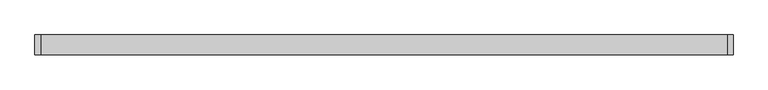
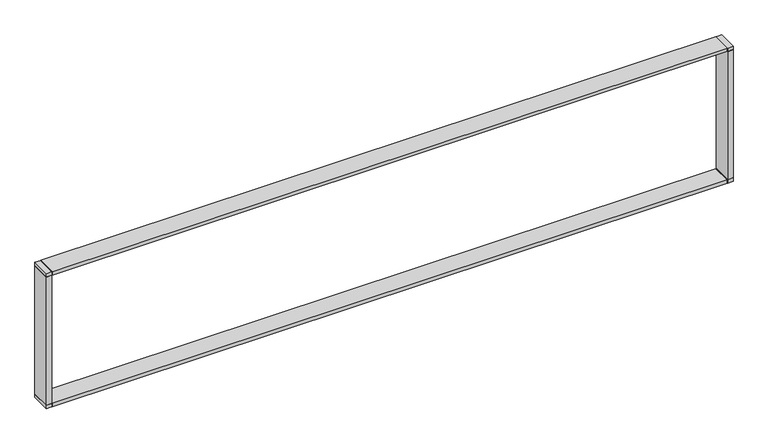
"""IFC4 building model written with IfcOpenShell, lengths in millimetres: furniture geometry."""

from ifc_helpers import new_model, si_unit, frame, origin, place, context, project, spatial, polyline, outline, extrude, source, transform, mapped, element, save


def furniture_4d252f9c(model_context):
    return source(origin(), model_context, "Body", "SweptSolid", [
        extrude(outline(polyline([(23.368, -78.4860189), (22.352, -78.4860189), (22.352, 0.0), (23.368, 0.0), (23.368, -78.4860189)])), frame((0.0, 0.0, 1093.4736657), z_axis=(0.0, 0.0, 1.0), x_axis=(1.0, 0.0, 0.0)), (0.0, 0.0, 1.0), 13.2043343),
        extrude(outline(polyline([(2743.2, -78.4860189), (2742.184, -78.4860189), (2742.184, 0.0), (2743.2, 0.0), (2743.2, -78.4860189)])), frame((0.0, 0.0, 1093.4736657), z_axis=(0.0, 0.0, 1.0), x_axis=(1.0, 0.0, 0.0)), (0.0, 0.0, 1.0), 13.2043343),
        extrude(outline(polyline([(23.368, -78.4860189), (22.352, -78.4860189), (22.352, 0.0), (23.368, 0.0), (23.368, -78.4860189)])), frame((0.0, 0.0, 1653.54), z_axis=(0.0, 0.0, 1.0), x_axis=(1.0, 0.0, 0.0)), (0.0, 0.0, 1.0), 13.2805041),
        extrude(outline(polyline([(2743.2, -78.4860189), (2742.184, -78.4860189), (2742.184, 0.0), (2743.2, 0.0), (2743.2, -78.4860189)])), frame((0.0, 0.0, 1653.54), z_axis=(0.0, 0.0, 1.0), x_axis=(1.0, 0.0, 0.0)), (0.0, 0.0, 1.0), 13.2805041),
        extrude(outline(polyline([(22.352, -78.4860189), (0.7620174, -78.4860189), (0.7620174, 0.0), (22.352, 0.0), (22.352, -78.4860189)])), frame((0.0, 0.0, 1652.524), z_axis=(0.0, 0.0, 1.0), x_axis=(1.0, 0.0, 0.0)), (0.0, 0.0, 1.0), 1.016),
        extrude(outline(polyline([(2764.7899099, -78.4860189), (2743.2, -78.4860189), (2743.2, 0.0), (2764.7899099, 0.0), (2764.7899099, -78.4860189)])), frame((0.0, 0.0, 1652.524), z_axis=(0.0, 0.0, 1.0), x_axis=(1.0, 0.0, 0.0)), (0.0, 0.0, 1.0), 1.016),
        extrude(outline(polyline([(22.352, -78.4860189), (0.7620174, -78.4860189), (0.7620174, 0.0), (22.352, 0.0), (22.352, -78.4860189)])), frame((0.0, 0.0, 1106.678), z_axis=(0.0, 0.0, 1.0), x_axis=(1.0, 0.0, 0.0)), (0.0, 0.0, 1.0), 1.016),
        extrude(outline(polyline([(2764.7899099, -78.4860189), (2743.2, -78.4860189), (2743.2, 0.0), (2764.7899099, 0.0), (2764.7899099, -78.4860189)])), frame((0.0, 0.0, 1106.678), z_axis=(0.0, 0.0, 1.0), x_axis=(1.0, 0.0, 0.0)), (0.0, 0.0, 1.0), 1.016),
        extrude(outline(polyline([(22.352, -79.248), (0.0, -79.248), (0.0, 0.0), (22.352, 0.0), (22.352, -79.248)])), frame((0.0, 0.0, 1092.708), z_axis=(0.0, 0.0, 1.0), x_axis=(1.0, 0.0, 0.0)), (0.0, 0.0, 1.0), 13.97),
        extrude(outline(polyline([(2742.184, -79.248), (23.368, -79.248), (23.368, 0.0), (2742.184, 0.0), (2742.184, -79.248)])), frame((0.0, 0.0, 1092.708), z_axis=(0.0, 0.0, 1.0), x_axis=(1.0, 0.0, 0.0)), (0.0, 0.0, 1.0), 13.97),
        extrude(outline(polyline([(22.352, -79.248), (0.0, -79.248), (0.0, 0.0), (22.352, 0.0), (22.352, -79.248)])), frame((0.0, 0.0, 1107.694), z_axis=(0.0, 0.0, 1.0), x_axis=(1.0, 0.0, 0.0)), (0.0, 0.0, 1.0), 544.83),
        extrude(outline(polyline([(22.352, -79.248), (0.0, -79.248), (0.0, 0.0), (22.352, 0.0), (22.352, -79.248)])), frame((0.0, 0.0, 1653.54), z_axis=(0.0, 0.0, 1.0), x_axis=(1.0, 0.0, 0.0)), (0.0, 0.0, 1.0), 13.97),
        extrude(outline(polyline([(2742.184, -79.248), (23.368, -79.248), (23.368, 0.0), (2742.184, 0.0), (2742.184, -79.248)])), frame((0.0, 0.0, 1653.5400213), z_axis=(0.0, 0.0, 1.0), x_axis=(1.0, 0.0, 0.0)), (0.0, 0.0, 1.0), 13.9699787),
        extrude(outline(polyline([(2765.552, -79.248), (2743.2, -79.248), (2743.2, 0.0), (2765.552, 0.0), (2765.552, -79.248)])), frame((0.0, 0.0, 1092.708), z_axis=(0.0, 0.0, 1.0), x_axis=(1.0, 0.0, 0.0)), (0.0, 0.0, 1.0), 13.97),
        extrude(outline(polyline([(2765.552, -79.248), (2743.2, -79.248), (2743.2, 0.0), (2765.552, 0.0), (2765.552, -79.248)])), frame((0.0, 0.0, 1107.694), z_axis=(0.0, 0.0, 1.0), x_axis=(1.0, 0.0, 0.0)), (0.0, 0.0, 1.0), 544.83),
        extrude(outline(polyline([(2765.552, -79.248), (2743.2, -79.248), (2743.2, 0.0), (2765.552, 0.0), (2765.552, -79.248)])), frame((0.0, 0.0, 1653.54), z_axis=(0.0, 0.0, 1.0), x_axis=(1.0, 0.0, 0.0)), (0.0, 0.0, 1.0), 13.97),
    ])


if __name__ == "__main__":
    model = new_model("IFC4")
    model_context = context("Model", 3, world=origin())
    ifc_project = project(units=[si_unit("LENGTHUNIT", "METRE", prefix="MILLI")], contexts=[model_context])
    site = spatial("IfcSite", under=ifc_project)
    building = spatial("IfcBuilding", under=site)
    placement = place(None, origin())
    furniture_shape = furniture_4d252f9c(model_context)
    element("IfcFurniture", 1, at=placement, inside=building, context=model_context, shape_type="MappedRepresentation", body=[
        mapped(furniture_shape, transform((0.0, 0.0, 0.0), x_axis=(1.0, 0.0, 0.0), y_axis=(0.0, 1.0, 0.0), z_axis=(0.0, 0.0, 1.0))),
    ])
    save(model, "model.ifc")
